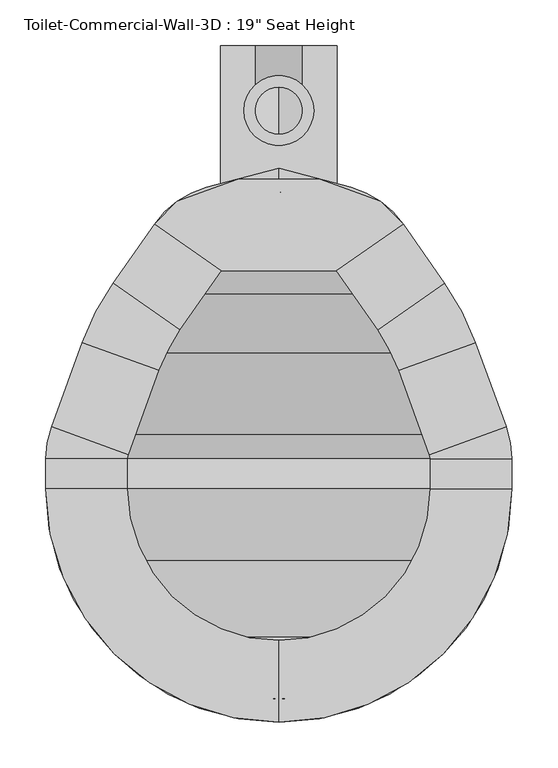
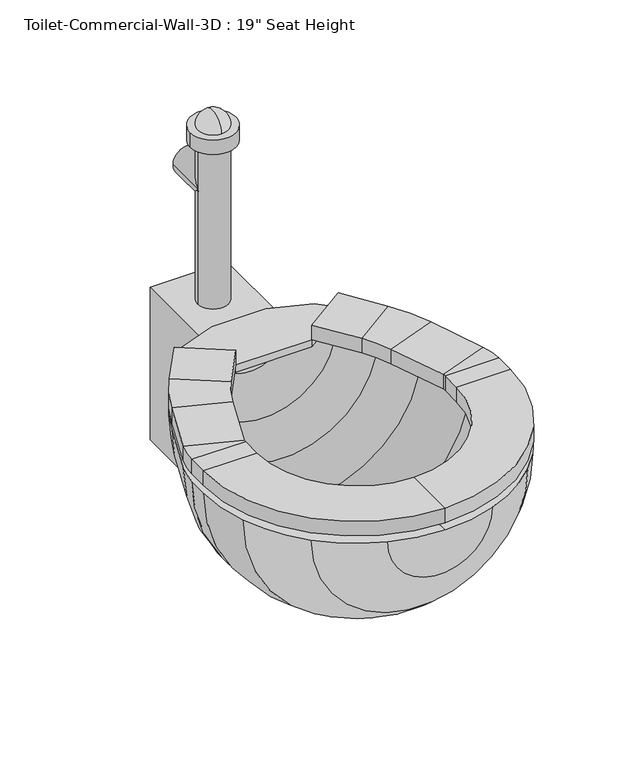
"""IFC4 building model written with IfcOpenShell, lengths in millimetres: flow terminal geometry."""

from ifc_helpers import new_model, si_unit, point, frame, frame_2d, origin, place, context, project, spatial, polyline, circle_curve, ellipse_curve, trimmed, segment, composite_curve, outline, extrude, source, transform, mapped, element, save
from ifc_brep_helpers import plane_surface, cylinder_surface, revolved_surface, advanced_brep


def flow_terminal_743e6a03(model_context):
    return source(origin(), model_context, "Body", "SolidModel", [
        extrude(outline(polyline([(467.7541169, -341.8722495), (342.0521907, -341.8722495), (269.229574, -290.8813043), (294.1800557, -265.9308226), (360.2423986, -241.8860961), (449.563909, -241.8860961), (515.6262519, -265.9308226), (540.5767337, -290.8813043), (467.7541169, -341.8722495)])), frame((0.0, 0.0, 444.5), z_axis=(0.0, 0.0, 1.0), x_axis=(1.0, 0.0, 0.0)), (0.0, 0.0, 1.0), 12.7),
        advanced_brep(
        [(467.7541169, -341.8722495, 457.2), (467.7541169, -341.8722495, 482.6), (540.5767337, -290.8813043, 482.6), (540.5767337, -290.8813043, 457.2), (585.6810159, -355.2968951, 457.2), (512.8583992, -406.2878403, 457.2), (585.6810159, -355.2968951, 482.6), (512.8583992, -406.2878403, 482.6), (619.360053, -419.9937234, 457.2), (535.821379, -450.3993141, 457.2), (619.360053, -419.9937234, 482.6), (535.821379, -450.3993141, 482.6), (652.7759241, -511.8030747, 457.2), (569.2372501, -542.2086654, 457.2), (652.7759241, -511.8030747, 482.6), (569.2372501, -542.2086654, 482.6), (658.9031538, -546.5523212, 457.2), (570.0031538, -546.5523212, 457.2), (658.9031538, -546.5523212, 482.6), (570.0031538, -546.5523212, 482.6), (658.9031538, -579.4375, 457.2), (570.0031538, -579.4375, 457.2), (658.9031538, -579.4375, 482.6), (570.0031538, -579.4375, 482.6), (404.9031538, -833.4375, 457.2), (404.9031538, -744.5375, 457.2), (404.9031538, -833.4375, 482.6), (404.9031538, -744.5375, 482.6), (150.9031538, -579.4375, 457.2), (239.8031538, -579.4375, 457.2), (150.9031538, -579.4375, 482.6), (239.8031538, -579.4375, 482.6), (150.9031538, -546.5523212, 457.2), (239.8031538, -546.5523212, 457.2), (150.9031538, -546.5523212, 482.6), (239.8031538, -546.5523212, 482.6), (157.0303835, -511.8030747, 457.2), (240.5690575, -542.2086654, 457.2), (157.0303835, -511.8030747, 482.6), (240.5690575, -542.2086654, 482.6), (190.4462546, -419.9937234, 457.2), (273.9849286, -450.3993141, 457.2), (190.4462546, -419.9937234, 482.6), (273.9849286, -450.3993141, 482.6), (224.1252917, -355.2968951, 457.2), (296.9479084, -406.2878403, 457.2), (224.1252917, -355.2968951, 482.6), (296.9479084, -406.2878403, 482.6), (342.0521907, -341.8722495, 457.2), (269.229574, -290.8813043, 457.2), (269.229574, -290.8813043, 482.6), (342.0521907, -341.8722495, 482.6)],
        [
            (0, 1),
            (1, 2),
            (2, 3),
            (3, 0),
            (3, 4),
            (4, 5),
            (5, 0),
            (2, 6),
            (6, 4),
            (1, 7),
            (7, 6),
            (5, 7),
            (8, 9),
            (9, 5, circle_curve(frame((356.8099347, -515.5541514, 457.2), z_axis=(0.0, 0.0, 1.0), x_axis=(0.81915204428899, 0.5735764363510486, 0.0)), 190.5)),
            (4, 8, circle_curve(frame((356.8099347, -515.5541514, 457.2), z_axis=(0.0, 0.0, -1.0), x_axis=(0.81915204428899, 0.5735764363510486, 0.0)), 279.4)),
            (10, 8),
            (6, 10, circle_curve(frame((356.8099347, -515.5541514, 482.6), z_axis=(0.0, 0.0, -1.0), x_axis=(0.81915204428899, 0.5735764363510486, 0.0)), 279.4)),
            (11, 10),
            (7, 11, circle_curve(frame((356.8099347, -515.5541514, 482.6), z_axis=(0.0, 0.0, -1.0), x_axis=(0.81915204428899, 0.5735764363510486, 0.0)), 190.5)),
            (9, 11),
            (8, 12),
            (12, 13),
            (13, 9),
            (10, 14),
            (14, 12),
            (11, 15),
            (15, 14),
            (13, 15),
            (16, 17),
            (17, 13, circle_curve(frame((557.3031538, -546.5523212, 457.2), z_axis=(0.0, 0.0, 1.0), x_axis=(0.939692620785906, 0.34202014332567526, 0.0)), 12.7)),
            (12, 16, circle_curve(frame((557.3031538, -546.5523212, 457.2), z_axis=(0.0, 0.0, -1.0), x_axis=(0.939692620785906, 0.34202014332567526, 0.0)), 101.6)),
            (18, 16),
            (14, 18, circle_curve(frame((557.3031538, -546.5523212, 482.6), z_axis=(0.0, 0.0, -1.0), x_axis=(0.939692620785906, 0.34202014332567526, 0.0)), 101.6)),
            (19, 18),
            (15, 19, circle_curve(frame((557.3031538, -546.5523212, 482.6), z_axis=(0.0, 0.0, -1.0), x_axis=(0.939692620785906, 0.34202014332567526, 0.0)), 12.7)),
            (17, 19),
            (16, 20),
            (20, 21),
            (21, 17),
            (18, 22),
            (22, 20),
            (19, 23),
            (23, 22),
            (21, 23),
            (24, 25),
            (25, 21, circle_curve(frame((404.9031538, -579.4375, 457.2), z_axis=(0.0, 0.0, 1.0), x_axis=(1.0, 0.0, 0.0)), 165.1)),
            (20, 24, circle_curve(frame((404.9031538, -579.4375, 457.2), z_axis=(0.0, 0.0, -1.0), x_axis=(1.0, 0.0, 0.0)), 254.0)),
            (26, 24),
            (22, 26, circle_curve(frame((404.9031538, -579.4375, 482.6), z_axis=(0.0, 0.0, -1.0), x_axis=(1.0, 0.0, 0.0)), 254.0)),
            (27, 26),
            (23, 27, circle_curve(frame((404.9031538, -579.4375, 482.6), z_axis=(0.0, 0.0, -1.0), x_axis=(1.0, 0.0, 0.0)), 165.1)),
            (25, 27),
            (28, 29),
            (29, 25, circle_curve(frame((404.9031538, -579.4375, 457.2), z_axis=(0.0, 0.0, 1.0), x_axis=(0.0, -1.0, 0.0)), 165.1)),
            (24, 28, circle_curve(frame((404.9031538, -579.4375, 457.2), z_axis=(0.0, 0.0, -1.0), x_axis=(0.0, -1.0, 0.0)), 254.0)),
            (30, 28),
            (26, 30, circle_curve(frame((404.9031538, -579.4375, 482.6), z_axis=(0.0, 0.0, -1.0), x_axis=(0.0, -1.0, 0.0)), 254.0)),
            (31, 30),
            (27, 31, circle_curve(frame((404.9031538, -579.4375, 482.6), z_axis=(0.0, 0.0, -1.0), x_axis=(0.0, -1.0, 0.0)), 165.1)),
            (29, 31),
            (28, 32),
            (32, 33),
            (33, 29),
            (30, 34),
            (34, 32),
            (31, 35),
            (35, 34),
            (33, 35),
            (36, 37),
            (37, 33, circle_curve(frame((252.5031538, -546.5523212, 457.2), z_axis=(0.0, 0.0, 1.0), x_axis=(-1.0, 0.0, 0.0)), 12.7)),
            (32, 36, circle_curve(frame((252.5031538, -546.5523212, 457.2), z_axis=(0.0, 0.0, -1.0), x_axis=(-1.0, 0.0, 0.0)), 101.6)),
            (38, 36),
            (34, 38, circle_curve(frame((252.5031538, -546.5523212, 482.6), z_axis=(0.0, 0.0, -1.0), x_axis=(-1.0, 0.0, 0.0)), 101.6)),
            (39, 38),
            (35, 39, circle_curve(frame((252.5031538, -546.5523212, 482.6), z_axis=(0.0, 0.0, -1.0), x_axis=(-1.0, 0.0, 0.0)), 12.7)),
            (37, 39),
            (36, 40),
            (40, 41),
            (41, 37),
            (38, 42),
            (42, 40),
            (39, 43),
            (43, 42),
            (41, 43),
            (44, 45),
            (45, 41, circle_curve(frame((452.9963729, -515.5541514, 457.2), z_axis=(0.0, 0.0, 1.0), x_axis=(-0.9396926207859088, 0.34202014332566766, 0.0)), 190.5)),
            (40, 44, circle_curve(frame((452.9963729, -515.5541514, 457.2), z_axis=(0.0, 0.0, -1.0), x_axis=(-0.9396926207859088, 0.34202014332566766, 0.0)), 279.4)),
            (46, 44),
            (42, 46, circle_curve(frame((452.9963729, -515.5541514, 482.6), z_axis=(0.0, 0.0, -1.0), x_axis=(-0.9396926207859088, 0.34202014332566766, 0.0)), 279.4)),
            (47, 46),
            (43, 47, circle_curve(frame((452.9963729, -515.5541514, 482.6), z_axis=(0.0, 0.0, -1.0), x_axis=(-0.9396926207859088, 0.34202014332566766, 0.0)), 190.5)),
            (45, 47),
            (48, 49),
            (49, 50),
            (50, 51),
            (51, 48),
            (44, 49),
            (48, 45),
            (46, 50),
            (47, 51),
        ],
        [
            plane_surface(frame((540.5767337, -290.8813043, 541.2203184), z_axis=(-0.5735764363510383, 0.8191520442889972, 0.0), x_axis=(0.8191520442889972, 0.5735764363510383, 0.0))),
            plane_surface(frame((467.7541169, -341.8722495, 457.2), z_axis=(0.0, 0.0, -1.0000000000000002), x_axis=(0.5735764363510378, -0.8191520442889977, 0.0))),
            plane_surface(frame((540.5767337, -290.8813043, 457.2), z_axis=(0.8191520442889978, 0.5735764363510377, 0.0), x_axis=(0.5735764363510377, -0.8191520442889978, 0.0))),
            plane_surface(frame((540.5767337, -290.8813043, 482.6), z_axis=(0.0, 0.0, 1.0), x_axis=(0.5735764363510382, -0.8191520442889973, 0.0))),
            plane_surface(frame((467.7541169, -341.8722495, 482.6), z_axis=(-0.8191520442889977, -0.5735764363510378, 0.0), x_axis=(0.5735764363510378, -0.8191520442889977, 0.0))),
            plane_surface(frame((356.8099347, -515.5541514, 457.2), z_axis=(0.0, 0.0, -1.0), x_axis=(0.81915204428899, 0.5735764363510486, 0.0))),
            cylinder_surface(frame((356.8099347, -515.5541514, 444.5), z_axis=(0.0, 0.0, 1.0), x_axis=(0.81915204428899, 0.5735764363510486, 0.0)), 279.4),
            plane_surface(frame((356.8099347, -515.5541514, 482.6), z_axis=(0.0, 0.0, 1.0), x_axis=(0.81915204428899, 0.5735764363510486, 0.0))),
            revolved_surface(polyline([(512.8583991370526, -406.2878402751253, 482.6), (512.8583991370526, -406.2878402751253, 457.2)]), (356.8099347, -515.5541514, 444.5), (0.0, 0.0, 1.0)),
            plane_surface(frame((535.821379, -450.3993141, 457.2), z_axis=(0.0, 0.0, -1.0), x_axis=(0.3420201433256646, -0.9396926207859099, 0.0))),
            plane_surface(frame((619.360053, -419.9937234, 457.2), z_axis=(0.9396926207859099, 0.34202014332566494, 0.0), x_axis=(0.34202014332566494, -0.9396926207859099, 0.0))),
            plane_surface(frame((619.360053, -419.9937234, 482.6), z_axis=(0.0, 0.0, 1.0000000000000002), x_axis=(0.34202014332566494, -0.9396926207859099, 0.0))),
            plane_surface(frame((535.821379, -450.3993141, 482.6), z_axis=(-0.9396926207859099, -0.3420201433256646, 0.0), x_axis=(0.3420201433256646, -0.9396926207859099, 0.0))),
            plane_surface(frame((557.3031538, -546.5523212, 457.2), z_axis=(0.0, 0.0, -1.0), x_axis=(0.939692620785906, 0.34202014332567526, 0.0))),
            cylinder_surface(frame((557.3031538, -546.5523212, 444.5), z_axis=(0.0, 0.0, 1.0), x_axis=(0.939692620785906, 0.34202014332567526, 0.0)), 101.6),
            plane_surface(frame((557.3031538, -546.5523212, 482.6), z_axis=(0.0, 0.0, 1.0), x_axis=(0.939692620785906, 0.34202014332567526, 0.0))),
            revolved_surface(polyline([(569.237250083981, -542.2086653797639, 482.6), (569.237250083981, -542.2086653797639, 457.2)]), (557.3031538, -546.5523212, 444.5), (0.0, 0.0, 1.0)),
            plane_surface(frame((570.0031538, -546.5523212, 457.2), z_axis=(0.0, 0.0, -1.0), x_axis=(0.0, -1.0, 0.0))),
            plane_surface(frame((658.9031538, -546.5523212, 457.2), z_axis=(1.0, 0.0, 0.0), x_axis=(0.0, -1.0, 0.0))),
            plane_surface(frame((658.9031538, -546.5523212, 482.6), z_axis=(0.0, 0.0, 1.0), x_axis=(0.0, -1.0, 0.0))),
            plane_surface(frame((570.0031538, -546.5523212, 482.6), z_axis=(-1.0, 0.0, 0.0), x_axis=(0.0, -1.0, 0.0))),
            plane_surface(frame((404.9031538, -579.4375, 457.2), z_axis=(0.0, 0.0, -1.0), x_axis=(1.0, 0.0, 0.0))),
            cylinder_surface(frame((404.9031538, -579.4375, 444.5), z_axis=(0.0, 0.0, 1.0), x_axis=(1.0, 0.0, 0.0)), 254.0),
            plane_surface(frame((404.9031538, -579.4375, 482.6), z_axis=(0.0, 0.0, 1.0), x_axis=(1.0, 0.0, 0.0))),
            revolved_surface(polyline([(570.0031538, -579.4375, 482.6), (570.0031538, -579.4375, 457.2)]), (404.9031538, -579.4375, 444.5), (0.0, 0.0, 1.0)),
            plane_surface(frame((404.9031538, -579.4375, 457.2), z_axis=(0.0, 0.0, -1.0), x_axis=(0.0, -1.0, 0.0))),
            cylinder_surface(frame((404.9031538, -579.4375, 444.5), z_axis=(0.0, 0.0, 1.0), x_axis=(0.0, -1.0, 0.0)), 254.0),
            plane_surface(frame((404.9031538, -579.4375, 482.6), z_axis=(0.0, 0.0, 1.0), x_axis=(0.0, -1.0, 0.0))),
            revolved_surface(polyline([(404.9031538, -744.5375, 482.6), (404.9031538, -744.5375, 457.2)]), (404.9031538, -579.4375, 444.5), (0.0, 0.0, 1.0)),
            plane_surface(frame((239.8031538, -579.4375, 457.2), z_axis=(0.0, 0.0, -1.0), x_axis=(0.0, 1.0, 0.0))),
            plane_surface(frame((150.9031538, -579.4375, 457.2), z_axis=(-1.0, 0.0, 0.0), x_axis=(0.0, 1.0, 0.0))),
            plane_surface(frame((150.9031538, -579.4375, 482.6), z_axis=(0.0, 0.0, 1.0), x_axis=(0.0, 1.0, 0.0))),
            plane_surface(frame((239.8031538, -579.4375, 482.6), z_axis=(1.0, 0.0, 0.0), x_axis=(0.0, 1.0, 0.0))),
            plane_surface(frame((252.5031538, -546.5523212, 457.2), z_axis=(0.0, 0.0, -1.0), x_axis=(-1.0, 0.0, 0.0))),
            cylinder_surface(frame((252.5031538, -546.5523212, 444.5), z_axis=(0.0, 0.0, 1.0), x_axis=(-1.0, 0.0, 0.0)), 101.6),
            plane_surface(frame((252.5031538, -546.5523212, 482.6), z_axis=(0.0, 0.0, 1.0), x_axis=(-1.0, 0.0, 0.0))),
            revolved_surface(polyline([(239.80315380000002, -546.5523212, 482.6), (239.80315380000002, -546.5523212, 457.2)]), (252.5031538, -546.5523212, 444.5), (0.0, 0.0, 1.0)),
            plane_surface(frame((240.5690575, -542.2086654, 457.2), z_axis=(0.0, 0.0, -1.0000000000000002), x_axis=(0.34202014332565606, 0.9396926207859131, 0.0))),
            plane_surface(frame((157.0303835, -511.8030747, 457.2), z_axis=(-0.9396926207859132, 0.34202014332565545, 0.0), x_axis=(0.34202014332565545, 0.9396926207859132, 0.0))),
            plane_surface(frame((157.0303835, -511.8030747, 482.6), z_axis=(0.0, 0.0, 1.0), x_axis=(0.34202014332565567, 0.9396926207859132, 0.0))),
            plane_surface(frame((240.5690575, -542.2086654, 482.6), z_axis=(0.9396926207859131, -0.34202014332565606, 0.0), x_axis=(0.34202014332565606, 0.9396926207859131, 0.0))),
            plane_surface(frame((452.9963729, -515.5541514, 457.2), z_axis=(0.0, 0.0, -1.0), x_axis=(-0.9396926207859088, 0.34202014332566766, 0.0))),
            cylinder_surface(frame((452.9963729, -515.5541514, 444.5), z_axis=(0.0, 0.0, 1.0), x_axis=(-0.9396926207859088, 0.34202014332566766, 0.0)), 279.4),
            plane_surface(frame((452.9963729, -515.5541514, 482.6), z_axis=(0.0, 0.0, 1.0), x_axis=(-0.9396926207859088, 0.34202014332566766, 0.0))),
            revolved_surface(polyline([(273.98492864028435, -450.39931409646033, 482.6), (273.98492864028435, -450.39931409646033, 457.2)]), (452.9963729, -515.5541514, 444.5), (0.0, 0.0, 1.0)),
            plane_surface(frame((269.229574, -290.8813043, 347.7796816), z_axis=(0.5735764363510499, 0.8191520442889891, 0.0), x_axis=(0.8191520442889891, -0.5735764363510499, 0.0))),
            plane_surface(frame((296.9479084, -406.2878403, 457.2), z_axis=(0.0, 0.0, -1.0), x_axis=(0.5735764363510497, 0.8191520442889894, 0.0))),
            plane_surface(frame((224.1252917, -355.2968951, 457.2), z_axis=(-0.8191520442889894, 0.5735764363510496, 0.0), x_axis=(0.5735764363510496, 0.8191520442889894, 0.0))),
            plane_surface(frame((224.1252917, -355.2968951, 482.6), z_axis=(0.0, 0.0, 1.0000000000000002), x_axis=(0.5735764363510502, 0.819152044288989, 0.0))),
            plane_surface(frame((296.9479084, -406.2878403, 482.6), z_axis=(0.8191520442889894, -0.5735764363510497, 0.0), x_axis=(0.5735764363510497, 0.8191520442889894, 0.0))),
        ],
        [
            (0, [[1, 2, 3, 4]]),
            (1, [[5, 6, 7, -4]]),
            (2, [[8, 9, -5, -3]]),
            (3, [[10, 11, -8, -2]]),
            (4, [[-7, 12, -10, -1]]),
            (5, [[13, 14, -6, 15]]),
            (6, [[16, -15, -9, 17]]),
            (7, [[18, -17, -11, 19]]),
            (8, [[20, -19, -12, -14]]),
            (9, [[21, 22, 23, -13]]),
            (10, [[24, 25, -21, -16]]),
            (11, [[26, 27, -24, -18]]),
            (12, [[-23, 28, -26, -20]]),
            (13, [[29, 30, -22, 31]]),
            (14, [[32, -31, -25, 33]]),
            (15, [[34, -33, -27, 35]]),
            (16, [[36, -35, -28, -30]]),
            (17, [[37, 38, 39, -29]]),
            (18, [[40, 41, -37, -32]]),
            (19, [[42, 43, -40, -34]]),
            (20, [[-39, 44, -42, -36]]),
            (21, [[45, 46, -38, 47]]),
            (22, [[48, -47, -41, 49]]),
            (23, [[50, -49, -43, 51]]),
            (24, [[52, -51, -44, -46]]),
            (25, [[53, 54, -45, 55]]),
            (26, [[56, -55, -48, 57]]),
            (27, [[58, -57, -50, 59]]),
            (28, [[60, -59, -52, -54]]),
            (29, [[61, 62, 63, -53]]),
            (30, [[64, 65, -61, -56]]),
            (31, [[66, 67, -64, -58]]),
            (32, [[-63, 68, -66, -60]]),
            (33, [[69, 70, -62, 71]]),
            (34, [[72, -71, -65, 73]]),
            (35, [[74, -73, -67, 75]]),
            (36, [[76, -75, -68, -70]]),
            (37, [[77, 78, 79, -69]]),
            (38, [[80, 81, -77, -72]]),
            (39, [[82, 83, -80, -74]]),
            (40, [[-79, 84, -82, -76]]),
            (41, [[85, 86, -78, 87]]),
            (42, [[88, -87, -81, 89]]),
            (43, [[90, -89, -83, 91]]),
            (44, [[92, -91, -84, -86]]),
            (45, [[93, 94, 95, 96]]),
            (46, [[97, -93, 98, -85]]),
            (47, [[99, -94, -97, -88]]),
            (48, [[100, -95, -99, -90]]),
            (49, [[-98, -96, -100, -92]]),
        ],
    ),
        advanced_brep(
        [(491.7762702, -818.1194257, 444.5), (584.5082762, -759.0426224, 444.5), (643.5850795, -666.3106164, 444.5), (658.9031538, -579.4375, 444.5), (658.9031538, -546.5523212, 444.5), (652.7759241, -511.8030747, 444.5), (619.360053, -419.9937234, 444.5), (585.6810159, -355.2968951, 444.5), (540.5767337, -290.8813043, 444.5), (483.6469009, -251.0186063, 444.5), (404.9031538, -229.9192829, 444.5), (404.9031538, -256.2152978, 444.5), (468.1430637, -273.1603806, 444.5), (525.0728964, -313.0230786, 444.5), (562.9565296, -367.1265139, 444.5), (596.6355667, -431.8233422, 444.5), (628.9077315, -520.4903863, 444.5), (633.5031538, -546.5523212, 444.5), (633.5031538, -579.4375, 444.5), (619.7168869, -657.6233048, 444.5), (566.547764, -741.0821102, 444.5), (483.0889586, -794.2512331, 444.5), (404.9031538, -808.0375, 444.5), (404.9031538, -833.4375, 444.5), (318.0300374, -818.1194257, 444.5), (326.7173491, -794.2512331, 444.5), (243.2585436, -741.0821102, 444.5), (190.0894207, -657.6233048, 444.5), (176.3031538, -579.4375, 444.5), (176.3031538, -546.5523212, 444.5), (180.8985761, -520.4903863, 444.5), (213.1707409, -431.8233422, 444.5), (246.849778, -367.1265139, 444.5), (284.7334112, -313.0230786, 444.5), (341.663244, -273.1603806, 444.5), (326.1594067, -251.0186063, 444.5), (269.229574, -290.8813043, 444.5), (224.1252917, -355.2968951, 444.5), (190.4462546, -419.9937234, 444.5), (157.0303835, -511.8030747, 444.5), (150.9031538, -546.5523212, 444.5), (150.9031538, -579.4375, 444.5), (166.2212281, -666.3106164, 444.5), (225.2980314, -759.0426224, 444.5)],
        [
            (0, 1, circle_curve(frame((404.9031538, -579.4375, 444.5), z_axis=(0.0, 0.0, 1.0), x_axis=(1.0, 0.0, 0.0)), 254.0)),
            (1, 2, circle_curve(frame((404.9031538, -579.4375, 444.5), z_axis=(0.0, 0.0, 1.0), x_axis=(1.0, 0.0, 0.0)), 254.0)),
            (2, 3, circle_curve(frame((404.9031538, -579.4375, 444.5), z_axis=(0.0, 0.0, 1.0), x_axis=(1.0, 0.0, 0.0)), 254.0)),
            (3, 4),
            (4, 5, circle_curve(frame((557.3031538, -546.5523212, 444.5), z_axis=(0.0, 0.0, 1.0), x_axis=(1.0, 0.0, 0.0)), 101.6)),
            (5, 6),
            (6, 7, circle_curve(frame((356.8099347, -515.5541514, 444.5), z_axis=(0.0, 0.0, 1.0), x_axis=(1.0, 0.0, 0.0)), 279.4)),
            (7, 8),
            (8, 9, circle_curve(frame((457.350886, -349.1566703, 444.5), z_axis=(0.0, 0.0, 1.0), x_axis=(1.0, 0.0, 0.0)), 101.6)),
            (9, 10),
            (10, 11),
            (11, 12),
            (12, 13, circle_curve(frame((441.8470487, -371.2984446, 444.5), z_axis=(0.0, 0.0, -1.0), x_axis=(1.0, 0.0, 0.0)), 101.6)),
            (13, 14),
            (14, 15, circle_curve(frame((334.0854485, -527.3837703, 444.5), z_axis=(0.0, 0.0, -1.0), x_axis=(1.0, 0.0, 0.0)), 279.4)),
            (15, 16),
            (16, 17, circle_curve(frame((557.3031538, -546.5523212, 444.5), z_axis=(0.0, 0.0, -1.0), x_axis=(1.0, 0.0, 0.0)), 76.2)),
            (17, 18),
            (18, 19, circle_curve(frame((404.9031538, -579.4375, 444.5), z_axis=(0.0, 0.0, -1.0), x_axis=(1.0, 0.0, 0.0)), 228.6)),
            (19, 20, circle_curve(frame((404.9031538, -579.4375, 444.5), z_axis=(0.0, 0.0, -1.0), x_axis=(1.0, 0.0, 0.0)), 228.6)),
            (20, 21, circle_curve(frame((404.9031538, -579.4375, 444.5), z_axis=(0.0, 0.0, -1.0), x_axis=(1.0, 0.0, 0.0)), 228.6)),
            (21, 22, circle_curve(frame((404.9031538, -579.4375, 444.5), z_axis=(0.0, 0.0, -1.0), x_axis=(1.0, 0.0, 0.0)), 228.6)),
            (22, 23),
            (23, 0, circle_curve(frame((404.9031538, -579.4375, 444.5), z_axis=(0.0, 0.0, 1.0), x_axis=(1.0, 0.0, 0.0)), 254.0)),
            (24, 23, circle_curve(frame((404.9031538, -579.4375, 444.5), z_axis=(0.0, 0.0, 1.0), x_axis=(-1.0, 0.0, 0.0)), 254.0)),
            (22, 25, circle_curve(frame((404.9031538, -579.4375, 444.5), z_axis=(0.0, 0.0, -1.0), x_axis=(-1.0, 0.0, 0.0)), 228.6)),
            (25, 26, circle_curve(frame((404.9031538, -579.4375, 444.5), z_axis=(0.0, 0.0, -1.0), x_axis=(-1.0, 0.0, 0.0)), 228.6)),
            (26, 27, circle_curve(frame((404.9031538, -579.4375, 444.5), z_axis=(0.0, 0.0, -1.0), x_axis=(-1.0, 0.0, 0.0)), 228.6)),
            (27, 28, circle_curve(frame((404.9031538, -579.4375, 444.5), z_axis=(0.0, 0.0, -1.0), x_axis=(-1.0, 0.0, 0.0)), 228.6)),
            (28, 29),
            (29, 30, circle_curve(frame((252.5031538, -546.5523212, 444.5), z_axis=(0.0, 0.0, -1.0), x_axis=(-1.0, 0.0, 0.0)), 76.2)),
            (30, 31),
            (31, 32, circle_curve(frame((475.7208592, -527.3837703, 444.5), z_axis=(0.0, 0.0, -1.0), x_axis=(-1.0, 0.0, 0.0)), 279.4)),
            (32, 33),
            (33, 34, circle_curve(frame((367.9592589, -371.2984446, 444.5), z_axis=(0.0, 0.0, -1.0), x_axis=(-1.0, 0.0, 0.0)), 101.6)),
            (34, 11),
            (10, 35),
            (35, 36, circle_curve(frame((352.4554217, -349.1566703, 444.5), z_axis=(0.0, 0.0, 1.0), x_axis=(-1.0, 0.0, 0.0)), 101.6)),
            (36, 37),
            (37, 38, circle_curve(frame((452.9963729, -515.5541514, 444.5), z_axis=(0.0, 0.0, 1.0), x_axis=(-1.0, 0.0, 0.0)), 279.4)),
            (38, 39),
            (39, 40, circle_curve(frame((252.5031538, -546.5523212, 444.5), z_axis=(0.0, 0.0, 1.0), x_axis=(-1.0, 0.0, 0.0)), 101.6)),
            (40, 41),
            (41, 42, circle_curve(frame((404.9031538, -579.4375, 444.5), z_axis=(0.0, 0.0, 1.0), x_axis=(-1.0, 0.0, 0.0)), 254.0)),
            (42, 43, circle_curve(frame((404.9031538, -579.4375, 444.5), z_axis=(0.0, 0.0, 1.0), x_axis=(-1.0, 0.0, 0.0)), 254.0)),
            (43, 24, circle_curve(frame((404.9031538, -579.4375, 444.5), z_axis=(0.0, 0.0, 1.0), x_axis=(-1.0, 0.0, 0.0)), 254.0)),
            (24, 0, circle_curve(frame((404.9031538, -818.1194257, 444.5), z_axis=(0.0, -1.0, 0.0), x_axis=(1.0, 0.0, 0.0)), 86.8731164)),
            (21, 25, circle_curve(frame((404.9031538, -794.2512331, 444.5), z_axis=(0.0, 1.0, 0.0), x_axis=(1.0, 0.0, 0.0)), 78.1858048)),
            (20, 26, circle_curve(frame((404.9031538, -741.0821102, 444.5), z_axis=(0.0, 1.0, 0.0), x_axis=(1.0, 0.0, 0.0)), 161.6446102)),
            (19, 27, circle_curve(frame((404.9031538, -657.6233048, 444.5), z_axis=(0.0, 1.0, 0.0), x_axis=(1.0, 0.0, 0.0)), 214.8137331)),
            (18, 28, circle_curve(frame((404.9031538, -579.4375, 444.5), z_axis=(0.0, 1.0, 0.0), x_axis=(1.0, 0.0, 0.0)), 228.6)),
            (17, 29, circle_curve(frame((404.9031538, -546.5523212, 444.5), z_axis=(0.0, 1.0, 0.0), x_axis=(1.0, 0.0, 0.0)), 228.6)),
            (16, 30, circle_curve(frame((404.9031538, -520.4903863, 444.5), z_axis=(0.0, 1.0, 0.0), x_axis=(1.0, 0.0, 0.0)), 224.0045777)),
            (15, 31, circle_curve(frame((404.9031538, -431.8233422, 444.5), z_axis=(0.0, 1.0, 0.0), x_axis=(1.0, 0.0, 0.0)), 191.7324129)),
            (14, 32, circle_curve(frame((404.9031538, -367.1265139, 444.5), z_axis=(0.0, 1.0, 0.0), x_axis=(1.0, 0.0, 0.0)), 158.0533758)),
            (13, 33, circle_curve(frame((404.9031538, -313.0230786, 444.5), z_axis=(0.0, 1.0, 0.0), x_axis=(1.0, 0.0, 0.0)), 120.1697426)),
            (12, 34, circle_curve(frame((404.9031538, -273.1603806, 444.5), z_axis=(0.0, 1.0, 0.0), x_axis=(1.0, 0.0, 0.0)), 63.2399099)),
            (9, 35, circle_curve(frame((404.9031538, -251.0186063, 444.5), z_axis=(0.0, 1.0, 0.0), x_axis=(1.0, 0.0, 0.0)), 78.7437471)),
            (8, 36, circle_curve(frame((404.9031538, -290.8813043, 444.5), z_axis=(0.0, 1.0, 0.0), x_axis=(1.0, 0.0, 0.0)), 135.6735798)),
            (7, 37, circle_curve(frame((404.9031538, -355.2968951, 444.5), z_axis=(0.0, 1.0, 0.0), x_axis=(1.0, 0.0, 0.0)), 180.7778621)),
            (6, 38, circle_curve(frame((404.9031538, -419.9937234, 444.5), z_axis=(0.0, 1.0, 0.0), x_axis=(1.0, 0.0, 0.0)), 214.4568992)),
            (5, 39, circle_curve(frame((404.9031538, -511.8030747, 444.5), z_axis=(0.0, 1.0, 0.0), x_axis=(1.0, 0.0, 0.0)), 247.8727703)),
            (4, 40, circle_curve(frame((404.9031538, -546.5523212, 444.5), z_axis=(0.0, 1.0, 0.0), x_axis=(1.0, 0.0, 0.0)), 254.0)),
            (3, 41, circle_curve(frame((404.9031538, -579.4375, 444.5), z_axis=(0.0, 1.0, 0.0), x_axis=(1.0, 0.0, 0.0)), 254.0)),
            (2, 42, circle_curve(frame((404.9031538, -666.3106164, 444.5), z_axis=(0.0, 1.0, 0.0), x_axis=(1.0, 0.0, 0.0)), 238.6819257)),
            (1, 43, circle_curve(frame((404.9031538, -759.0426224, 444.5), z_axis=(0.0, 1.0, 0.0), x_axis=(1.0, 0.0, 0.0)), 179.6051224)),
        ],
        [
            plane_surface(frame((404.9031538, -938.6477448, 444.5), z_axis=(0.0, 0.0, 1.0), x_axis=(1.0, 0.0, 0.0))),
            plane_surface(frame((404.9031538, -938.6477448, 444.5), z_axis=(0.0, 0.0, 1.0), x_axis=(-1.0, 0.0, 0.0))),
            revolved_surface(trimmed(ellipse_curve(frame((404.9031538, -579.4375, 444.5), z_axis=(0.0, 0.0, -1.0), x_axis=(1.0, 0.0, 0.0)), 254.0, 254.0), [point((491.7762702, -818.1194257, 444.5))], [point((404.9031538, -833.4375, 444.5))], True, "CARTESIAN"), (404.9031538, -938.6477448, 444.5), (0.0, -1.0, 0.0)),
            revolved_surface(trimmed(ellipse_curve(frame((404.9031538, -579.4375, 444.5), z_axis=(0.0, 0.0, 1.0), x_axis=(1.0, 0.0, 0.0)), 228.6, 228.6), [point((404.9031538, -808.0375, 444.5))], [point((483.0889586, -794.2512331, 444.5))], True, "CARTESIAN"), (404.9031538, -938.6477448, 444.5), (0.0, -1.0, 0.0)),
            revolved_surface(trimmed(ellipse_curve(frame((404.9031538, -579.4375, 444.5), z_axis=(0.0, 0.0, 1.0), x_axis=(1.0, 0.0, 0.0)), 228.6, 228.6), [point((483.0889586, -794.2512331, 444.5))], [point((566.547764, -741.0821102, 444.5))], True, "CARTESIAN"), (404.9031538, -938.6477448, 444.5), (0.0, -1.0, 0.0)),
            revolved_surface(trimmed(ellipse_curve(frame((404.9031538, -579.4375, 444.5), z_axis=(0.0, 0.0, 1.0), x_axis=(1.0, 0.0, 0.0)), 228.6, 228.6), [point((566.547764, -741.0821102, 444.5))], [point((619.7168869, -657.6233048, 444.5))], True, "CARTESIAN"), (404.9031538, -938.6477448, 444.5), (0.0, -1.0, 0.0)),
            revolved_surface(trimmed(ellipse_curve(frame((404.9031538, -579.4375, 444.5), z_axis=(0.0, 0.0, 1.0), x_axis=(1.0, 0.0, 0.0)), 228.6, 228.6), [point((619.7168869, -657.6233048, 444.5))], [point((633.5031538, -579.4375, 444.5))], True, "CARTESIAN"), (404.9031538, -938.6477448, 444.5), (0.0, -1.0, 0.0)),
            revolved_surface(polyline([(633.5031538, -579.4375, 444.5), (633.5031538, -546.5523212, 444.5)]), (404.9031538, -938.6477448, 444.5), (0.0, -1.0, 0.0)),
            revolved_surface(trimmed(ellipse_curve(frame((557.3031538, -546.5523212, 444.5), z_axis=(0.0, 0.0, 1.0), x_axis=(1.0, 0.0, 0.0)), 76.2, 76.2), [point((633.5031538, -546.5523212, 444.5))], [point((628.9077315, -520.4903863, 444.5))], True, "CARTESIAN"), (404.9031538, -938.6477448, 444.5), (0.0, -1.0, 0.0)),
            revolved_surface(polyline([(628.9077315, -520.4903863, 444.5), (596.6355667, -431.8233422, 444.5)]), (404.9031538, -938.6477448, 444.5), (0.0, -1.0, 0.0)),
            revolved_surface(trimmed(ellipse_curve(frame((334.0854485, -527.3837703, 444.5), z_axis=(0.0, 0.0, 1.0), x_axis=(1.0, 0.0, 0.0)), 279.4, 279.4), [point((596.6355667, -431.8233422, 444.5))], [point((562.9565296, -367.1265139, 444.5))], True, "CARTESIAN"), (404.9031538, -938.6477448, 444.5), (0.0, -1.0, 0.0)),
            revolved_surface(polyline([(562.9565296, -367.1265139, 444.5), (525.0728964, -313.0230786, 444.5)]), (404.9031538, -938.6477448, 444.5), (0.0, -1.0, 0.0)),
            revolved_surface(trimmed(ellipse_curve(frame((441.8470487, -371.2984446, 444.5), z_axis=(0.0, 0.0, 1.0), x_axis=(1.0, 0.0, 0.0)), 101.6, 101.6), [point((525.0728964, -313.0230786, 444.5))], [point((468.1430637, -273.1603806, 444.5))], True, "CARTESIAN"), (404.9031538, -938.6477448, 444.5), (0.0, -1.0, 0.0)),
            revolved_surface(polyline([(468.1430637, -273.1603806, 444.5), (404.9031538, -256.2152978, 444.5)]), (404.9031538, -938.6477448, 444.5), (0.0, -1.0, 0.0)),
            revolved_surface(polyline([(404.9031538, -229.9192829, 444.5), (483.6469009, -251.0186063, 444.5)]), (404.9031538, -938.6477448, 444.5), (0.0, -1.0, 0.0)),
            revolved_surface(trimmed(ellipse_curve(frame((457.350886, -349.1566703, 444.5), z_axis=(0.0, 0.0, -1.0), x_axis=(1.0, 0.0, 0.0)), 101.6, 101.6), [point((483.6469009, -251.0186063, 444.5))], [point((540.5767337, -290.8813043, 444.5))], True, "CARTESIAN"), (404.9031538, -938.6477448, 444.5), (0.0, -1.0, 0.0)),
            revolved_surface(polyline([(540.5767337, -290.8813043, 444.5), (585.6810159, -355.2968951, 444.5)]), (404.9031538, -938.6477448, 444.5), (0.0, -1.0, 0.0)),
            revolved_surface(trimmed(ellipse_curve(frame((356.8099347, -515.5541514, 444.5), z_axis=(0.0, 0.0, -1.0), x_axis=(1.0, 0.0, 0.0)), 279.4, 279.4), [point((585.6810159, -355.2968951, 444.5))], [point((619.360053, -419.9937234, 444.5))], True, "CARTESIAN"), (404.9031538, -938.6477448, 444.5), (0.0, -1.0, 0.0)),
            revolved_surface(polyline([(619.360053, -419.9937234, 444.5), (652.7759241, -511.8030747, 444.5)]), (404.9031538, -938.6477448, 444.5), (0.0, -1.0, 0.0)),
            revolved_surface(trimmed(ellipse_curve(frame((557.3031538, -546.5523212, 444.5), z_axis=(0.0, 0.0, -1.0), x_axis=(1.0, 0.0, 0.0)), 101.6, 101.6), [point((652.7759241, -511.8030747, 444.5))], [point((658.9031538, -546.5523212, 444.5))], True, "CARTESIAN"), (404.9031538, -938.6477448, 444.5), (0.0, -1.0, 0.0)),
            cylinder_surface(frame((404.9031538, -938.6477448, 444.5), z_axis=(0.0, -1.0, 0.0), x_axis=(1.0, 0.0, 0.0)), 254.0),
            revolved_surface(trimmed(ellipse_curve(frame((404.9031538, -579.4375, 444.5), z_axis=(0.0, 0.0, -1.0), x_axis=(1.0, 0.0, 0.0)), 254.0, 254.0), [point((658.9031538, -579.4375, 444.5))], [point((643.5850795, -666.3106164, 444.5))], True, "CARTESIAN"), (404.9031538, -938.6477448, 444.5), (0.0, -1.0, 0.0)),
            revolved_surface(trimmed(ellipse_curve(frame((404.9031538, -579.4375, 444.5), z_axis=(0.0, 0.0, -1.0), x_axis=(1.0, 0.0, 0.0)), 254.0, 254.0), [point((643.5850795, -666.3106164, 444.5))], [point((584.5082762, -759.0426224, 444.5))], True, "CARTESIAN"), (404.9031538, -938.6477448, 444.5), (0.0, -1.0, 0.0)),
            revolved_surface(trimmed(ellipse_curve(frame((404.9031538, -579.4375, 444.5), z_axis=(0.0, 0.0, -1.0), x_axis=(1.0, 0.0, 0.0)), 254.0, 254.0), [point((584.5082762, -759.0426224, 444.5))], [point((491.7762702, -818.1194257, 444.5))], True, "CARTESIAN"), (404.9031538, -938.6477448, 444.5), (0.0, -1.0, 0.0)),
        ],
        [
            (0, [[1, 2, 3, 4, 5, 6, 7, 8, 9, 10, 11, 12, 13, 14, 15, 16, 17, 18, 19, 20, 21, 22, 23, 24]]),
            (1, [[25, -23, 26, 27, 28, 29, 30, 31, 32, 33, 34, 35, 36, -11, 37, 38, 39, 40, 41, 42, 43, 44, 45, 46]]),
            (2, [[-25, 47, -24]]),
            (3, [[-26, -22, 48]]),
            (4, [[-27, -48, -21, 49]]),
            (5, [[-28, -49, -20, 50]]),
            (6, [[-29, -50, -19, 51]]),
            (7, [[-30, -51, -18, 52]]),
            (8, [[-31, -52, -17, 53]]),
            (9, [[-32, -53, -16, 54]]),
            (10, [[-33, -54, -15, 55]]),
            (11, [[-34, -55, -14, 56]]),
            (12, [[-35, -56, -13, 57]]),
            (13, [[-36, -57, -12]]),
            (14, [[-37, -10, 58]]),
            (15, [[-38, -58, -9, 59]]),
            (16, [[-39, -59, -8, 60]]),
            (17, [[-40, -60, -7, 61]]),
            (18, [[-41, -61, -6, 62]]),
            (19, [[-42, -62, -5, 63]]),
            (20, [[-43, -63, -4, 64]]),
            (21, [[-44, -64, -3, 65]]),
            (22, [[-45, -65, -2, 66]]),
            (23, [[-46, -66, -1, -47]]),
        ],
    ),
        advanced_brep(
        [(404.9031538, -141.7551912, 749.3), (404.9031538, -167.3727737, 774.9175826), (404.9031538, -192.9903563, 749.3), (404.9031538, -167.3727737, 749.3)],
        [
            (0, 1, circle_curve(frame((404.9031538, -167.3727737, 749.3), z_axis=(1.0, 0.0, 0.0), x_axis=(0.0, -1.0, 0.0)), 25.6175826)),
            (1, 2, circle_curve(frame((404.9031538, -167.3727737, 749.3), z_axis=(1.0, 0.0, 0.0), x_axis=(0.0, 1.0, 0.0)), 25.6175826)),
            (2, 0, circle_curve(frame((404.9031538, -167.3727737, 749.3), z_axis=(0.0, 0.0, 1.0), x_axis=(0.0, -1.0, 0.0)), 25.6175826)),
            (0, 2, circle_curve(frame((404.9031538, -167.3727737, 749.3), z_axis=(0.0, 0.0, 1.0), x_axis=(0.0, -1.0, 0.0)), 25.6175826)),
            (3, 0),
            (2, 3),
        ],
        [
            revolved_surface(trimmed(ellipse_curve(frame((404.9031538, -167.3727737, 749.3), z_axis=(1.0, 0.0, 0.0), x_axis=(0.0, 1.0, 0.0)), 25.6175826, 25.6175826), [point((404.9031538, -167.3727737, 774.9175826))], [point((404.9031538, -192.9903563, 749.3))], True, "CARTESIAN"), (404.9031538, -167.3727737, 813.9277273), (0.0, 0.0, -1.0)),
            plane_surface(frame((404.9031538, -167.3727737, 749.3), z_axis=(0.0, 0.0, -1.0), x_axis=(0.0, -1.0, 0.0))),
        ],
        [
            (0, [[1, 2, 3]]),
            (0, [[-2, -1, 4]]),
            (1, [[5, -3, 6]]),
            (1, [[-6, -4, -5]]),
        ],
    ),
        extrude(outline(composite_curve([segment(trimmed(circle_curve(frame_2d((404.9031538, -167.3727737)), 38.1), [point((366.8031538, -167.3727737))], [point((443.0031538, -167.3727737))], False, "CARTESIAN"), True, "CONTINUOUS"), segment(trimmed(circle_curve(frame_2d((404.9031538, -167.3727737)), 38.1), [point((443.0031538, -167.3727737))], [point((366.8031538, -167.3727737))], False, "CARTESIAN"), True, "CONTINUOUS")], self_intersect=False)), frame((0.0, 0.0, 723.9), z_axis=(0.0, 0.0, 1.0), x_axis=(1.0, 0.0, 0.0)), (0.0, 0.0, 1.0), 25.4),
        extrude(outline(composite_curve([segment(trimmed(circle_curve(frame_2d((645.8113641, 404.9031538)), 25.4), [point((645.8113641, 379.5031538))], [point((645.8113641, 430.3031538))], False, "CARTESIAN"), True, "CONTINUOUS"), segment(trimmed(circle_curve(frame_2d((645.8113641, 404.9031538)), 25.4), [point((645.8113641, 430.3031538))], [point((645.8113641, 379.5031538))], False, "CARTESIAN"), True, "CONTINUOUS")], self_intersect=False)), frame((0.0, -167.48125, 0.0), z_axis=(0.0, 1.0, 0.0), x_axis=(0.0, 0.0, 1.0)), (0.0, 0.0, 1.0), 70.64375),
        extrude(outline(composite_curve([segment(trimmed(circle_curve(frame_2d((404.9031538, -167.3727737)), 25.4), [point((379.5031538, -167.3727737))], [point((430.3031538, -167.3727737))], False, "CARTESIAN"), True, "CONTINUOUS"), segment(trimmed(circle_curve(frame_2d((404.9031538, -167.3727737)), 25.4), [point((430.3031538, -167.3727737))], [point((379.5031538, -167.3727737))], False, "CARTESIAN"), True, "CONTINUOUS")], self_intersect=False)), frame((0.0, 0.0, 444.5), z_axis=(0.0, 0.0, 1.0), x_axis=(1.0, 0.0, 0.0)), (0.0, 0.0, 1.0), 279.4),
        extrude(outline(polyline([(-249.6412941, 444.5), (-96.8375, 444.5), (-96.8375, 177.8), (-316.8829017, 177.8), (-397.3801282, 235.6328588), (-293.3478185, 308.4770663), (-249.6412941, 370.896452), (-249.6412941, 444.5)])), frame((341.4031538, 0.0, 0.0), z_axis=(1.0, 0.0, 0.0), x_axis=(0.0, 1.0, 0.0)), (0.0, 0.0, 1.0), 127.0),
    ])


if __name__ == "__main__":
    model = new_model("IFC4")
    model_context = context("Model", 3, world=origin())
    ifc_project = project(units=[si_unit("LENGTHUNIT", "METRE", prefix="MILLI")], contexts=[model_context])
    site = spatial("IfcSite", under=ifc_project)
    building = spatial("IfcBuilding", under=site)
    placement = place(None, origin())
    flow_terminal_shape = flow_terminal_743e6a03(model_context)
    element("IfcFlowTerminal", 1, ObjectType="Toilet-Commercial-Wall-3D : 19\" Seat Height", at=placement, inside=building, context=model_context, shape_type="MappedRepresentation", body=[
        mapped(flow_terminal_shape, transform((0.0, 0.0, 0.0), x_axis=(1.0, 0.0, 0.0), y_axis=(0.0, 1.0, 0.0), z_axis=(0.0, 0.0, 1.0))),
    ])
    save(model, "model.ifc")
